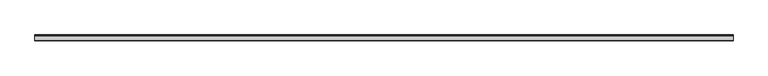
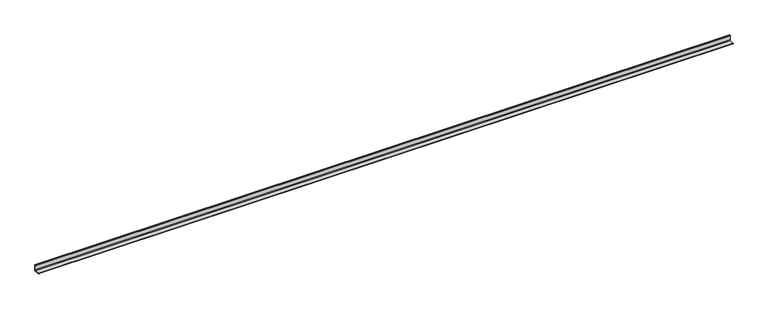
"""IFC4 building model written with IfcOpenShell, lengths in millimetres: beam geometry."""

from ifc_helpers import new_model, si_unit, point, frame, frame_2d, origin, place, context, project, spatial, polyline, circle_curve, trimmed, segment, composite_curve, outline, extrude, source, transform, mapped, element, save


def beam_35a7407d(model_context):
    return source(origin(), model_context, "Body", "SweptSolid", [
        extrude(outline(composite_curve([segment(polyline([(21.3, -21.3), (-53.7, -21.3), (-53.7, -18.3)]), True, "CONTINUOUS"), segment(trimmed(circle_curve(frame_2d((-48.7, -18.3)), 5.0), [point((-53.7, -18.3))], [point((-48.7, -13.3))], False, "CARTESIAN"), True, "CONTINUOUS"), segment(polyline([(-48.7, -13.3), (5.3, -13.3)]), True, "CONTINUOUS"), segment(trimmed(circle_curve(frame_2d((5.3, -5.3)), 8.0), [point((5.3, -13.3))], [point((13.3, -5.3))], True, "CARTESIAN"), True, "CONTINUOUS"), segment(polyline([(13.3, -5.3), (13.3, 48.7)]), True, "CONTINUOUS"), segment(trimmed(circle_curve(frame_2d((18.3, 48.7)), 5.0), [point((13.3, 48.7))], [point((18.3, 53.7))], False, "CARTESIAN"), True, "CONTINUOUS"), segment(polyline([(18.3, 53.7), (21.3, 53.7), (21.3, -21.3)]), True, "CONTINUOUS")], self_intersect=False)), frame((-4470.5, 0.0, 0.0), z_axis=(1.0, 0.0, 0.0), x_axis=(0.0, 1.0, 0.0)), (0.0, 0.0, 1.0), 8864.0),
    ])


if __name__ == "__main__":
    model = new_model("IFC4")
    model_context = context("Model", 3, world=origin())
    ifc_project = project(units=[si_unit("LENGTHUNIT", "METRE", prefix="MILLI")], contexts=[model_context])
    site = spatial("IfcSite", under=ifc_project)
    building = spatial("IfcBuilding", under=site)
    placement = place(None, origin())
    beam_shape = beam_35a7407d(model_context)
    element("IfcBeam", 1, at=placement, inside=building, context=model_context, shape_type="MappedRepresentation", body=[
        mapped(beam_shape, transform((0.0, 0.0, 0.0), x_axis=(1.0, 0.0, 0.0), y_axis=(0.0, 1.0, 0.0), z_axis=(0.0, 0.0, 1.0))),
    ])
    save(model, "model.ifc")
